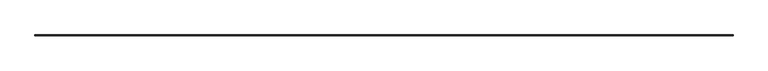
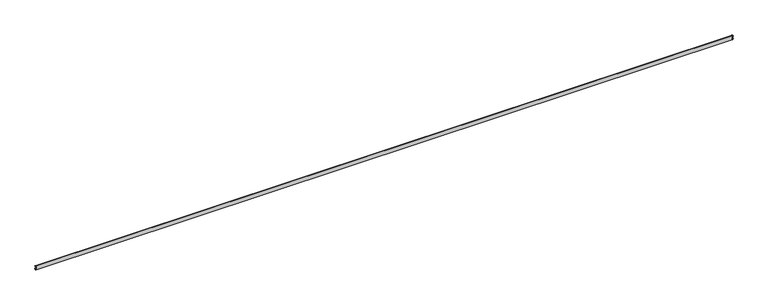
"""IFC4 building model written with IfcOpenShell, lengths in millimetres: railing geometry."""

from ifc_helpers import new_model, si_unit, frame, origin, place, context, project, spatial, polyline, circle_curve, ellipse_curve, source, transform, mapped, element, save
from ifc_brep_helpers import plane_surface, cylinder_surface, revolved_surface, advanced_brep


def railing_19389f10(model_context):
    return source(origin(), model_context, "Body", "AdvancedBrep", [
        advanced_brep(
        [(25096.9235713, 74107.3828523, 634.9946672), (25084.8450539, 74107.3828523, 677.657434), (25085.3739098, 74107.3828523, 678.5316951), (25088.5517246, 74107.3828523, 683.7467091), (25089.0204444, 74107.3828523, 684.5923437), (25091.6652084, 74107.3828523, 690.39164), (25092.1400859, 74107.3828523, 691.3720659), (25098.2788719, 74107.3828523, 700.2748284), (25098.2788719, 74107.3828523, 702.46875), (25089.5476219, 74107.3828523, 711.2), (25074.4663719, 74107.3828523, 711.2), (25074.4663719, 74107.3828523, 596.9), (25085.0073719, 74107.3828523, 596.9), (25090.5636219, 74107.3828523, 602.45625), (25090.5636219, 74107.3828523, 607.3037049), (25091.7838967, 74107.3828523, 609.805639), (25092.8651668, 74107.3828523, 613.2367436), (25093.5590551, 74107.3828523, 616.3095463), (6764.0091725, 74107.3828523, 634.9946672), (6767.3736887, 74107.3828523, 616.3095463), (6768.067577, 74107.3828523, 613.2367436), (6769.1488471, 74107.3828523, 609.805639), (6770.3691219, 74107.3828523, 607.3037049), (6770.3691219, 74107.3828523, 602.45625), (6775.9253719, 74107.3828523, 596.9), (6786.4663719, 74107.3828523, 596.9), (6786.4663719, 74107.3828523, 711.2), (6771.3851219, 74107.3828523, 711.2), (6762.6538719, 74107.3828523, 702.46875), (6762.6538719, 74107.3828523, 700.2748284), (6768.7926579, 74107.3828523, 691.3720659), (6769.2675355, 74107.3828523, 690.39164), (6771.9122995, 74107.3828523, 684.5923437), (6772.3810193, 74107.3828523, 683.7467091), (6775.558834, 74107.3828523, 678.5316951), (6776.0876899, 74107.3828523, 677.657434), (25096.9235713, 74130.6338017, 634.9946672), (25093.5590551, 74127.2692855, 616.3095463), (6767.3736887, 74127.2692855, 616.3095463), (6764.0091725, 74130.6338017, 634.9946672), (25092.8651668, 74126.5753972, 613.2367436), (6768.067577, 74126.5753972, 613.2367436), (25091.7838967, 74125.4941271, 609.805639), (6769.1488471, 74125.4941271, 609.805639), (25090.5636219, 74124.2738523, 607.3037049), (6770.3691219, 74124.2738523, 607.3037049), (25090.5636219, 74124.2738523, 602.45625), (6770.3691219, 74124.2738523, 602.45625), (25085.0073719, 74118.7176023, 596.9), (6775.9253719, 74118.7176023, 596.9), (25074.4663719, 74108.1766023, 596.9), (6786.4663719, 74108.1766023, 596.9), (25074.4663719, 74108.1766023, 711.2), (6786.4663719, 74108.1766023, 711.2), (25089.5476219, 74123.2578523, 711.2), (6771.3851219, 74123.2578523, 711.2), (25098.2788719, 74131.9891023, 702.46875), (6762.6538719, 74131.9891023, 702.46875), (25098.2788719, 74131.9891023, 700.2748284), (6762.6538719, 74131.9891023, 700.2748284), (25092.1400859, 74125.8503163, 691.3720659), (6768.7926579, 74125.8503163, 691.3720659), (25091.6652084, 74125.3754388, 690.39164), (6769.2675355, 74125.3754388, 690.39164), (25089.0204444, 74122.7306747, 684.5923437), (6771.9122995, 74122.7306747, 684.5923437), (25088.5517246, 74122.2619549, 683.7467091), (6772.3810193, 74122.2619549, 683.7467091), (25085.3739098, 74119.0841402, 678.5316951), (6775.558834, 74119.0841402, 678.5316951), (25084.8450539, 74118.5552843, 677.657434), (6776.0876899, 74118.5552843, 677.657434)],
        [
            (0, 1, circle_curve(frame((25266.7813106, 74107.3828523, 706.1253279), z_axis=(0.0, 1.0, 0.0), x_axis=(-0.9879785867328373, 0.0, -0.15459078936788356)), 184.15)),
            (1, 2, circle_curve(frame((25085.6292619, 74107.3828523, 677.7801405), z_axis=(0.0, 1.0, 0.0), x_axis=(-0.32170338998640735, 0.0, 0.9468404981153128)), 0.79375)),
            (2, 3, circle_curve(frame((25083.8417974, 74107.3828523, 683.041023), z_axis=(0.0, -1.0, 0.0), x_axis=(0.9889610745416129, 0.0, 0.14817554805533395)), 4.7625)),
            (3, 4, circle_curve(frame((25089.3367124, 74107.3828523, 683.8643234), z_axis=(0.0, 1.0, 0.0), x_axis=(-0.39844793511985266, 0.0, 0.9171909523096735)), 0.79375)),
            (4, 5, circle_curve(frame((25087.1228361, 74107.3828523, 688.9604656), z_axis=(0.0, -1.0, 0.0), x_axis=(0.9537789610497382, 0.0, 0.30050905719941606)), 4.7625)),
            (5, 6, circle_curve(frame((25092.4222704, 74107.3828523, 690.6301691), z_axis=(0.0, 1.0, 0.0), x_axis=(-0.3555080317940694, 0.0, 0.934673225961837)), 0.79375)),
            (6, 7, circle_curve(frame((25088.7538719, 74107.3828523, 700.2748284), z_axis=(0.0, -1.0, 0.0), x_axis=(1.0, 0.0, 0.0)), 9.525)),
            (7, 8),
            (8, 9, circle_curve(frame((25089.5476219, 74107.3828523, 702.46875), z_axis=(0.0, -1.0, 0.0), x_axis=(0.0, 0.0, 1.0)), 8.73125)),
            (9, 10),
            (10, 11),
            (11, 12),
            (12, 13, circle_curve(frame((25085.0073719, 74107.3828523, 602.45625), z_axis=(0.0, -1.0, 0.0), x_axis=(1.0, 0.0, 0.0)), 5.55625)),
            (13, 14),
            (14, 15, circle_curve(frame((25093.7386219, 74107.3828523, 607.3037049), z_axis=(0.0, 1.0, 0.0), x_axis=(-0.6156614753254914, 0.0, 0.7880107536068524)), 3.175)),
            (15, 16, circle_curve(frame((25089.8291715, 74107.3828523, 612.3075732), z_axis=(0.0, -1.0, 0.0), x_axis=(0.9562189885214569, 0.0, 0.29265209035816225)), 3.175)),
            (16, 17, circle_curve(frame((25095.9011621, 74107.3828523, 614.1659139), z_axis=(0.0, 1.0, 0.0), x_axis=(-0.7376715092217798, 0.0, 0.6751597918141022)), 3.175)),
            (17, 0, circle_curve(frame((25080.8163719, 74107.3828523, 628.2495183), z_axis=(0.0, -1.0, 0.0), x_axis=(0.9223879408472844, 0.0, 0.3862647881693419)), 17.4625)),
            (18, 19, circle_curve(frame((6780.1163719, 74107.3828523, 628.2495183), z_axis=(0.0, -1.0, 0.0), x_axis=(-0.9223879408472844, 0.0, 0.3862647881693419)), 17.4625)),
            (19, 20, circle_curve(frame((6765.0315817, 74107.3828523, 614.1659139), z_axis=(0.0, 1.0, 0.0), x_axis=(0.7376715092217798, 0.0, 0.6751597918141022)), 3.175)),
            (20, 21, circle_curve(frame((6771.1035723, 74107.3828523, 612.3075732), z_axis=(0.0, -1.0, 0.0), x_axis=(-0.9562189885214569, 0.0, 0.29265209035816225)), 3.175)),
            (21, 22, circle_curve(frame((6767.1941219, 74107.3828523, 607.3037049), z_axis=(0.0, 1.0, 0.0), x_axis=(0.6156614753254914, 0.0, 0.7880107536068524)), 3.175)),
            (22, 23),
            (23, 24, circle_curve(frame((6775.9253719, 74107.3828523, 602.45625), z_axis=(0.0, -1.0, 0.0), x_axis=(-1.0, 0.0, 0.0)), 5.55625)),
            (24, 25),
            (25, 26),
            (26, 27),
            (27, 28, circle_curve(frame((6771.3851219, 74107.3828523, 702.46875), z_axis=(0.0, -1.0, 0.0), x_axis=(0.0, 0.0, 1.0)), 8.73125)),
            (28, 29),
            (29, 30, circle_curve(frame((6772.1788719, 74107.3828523, 700.2748284), z_axis=(0.0, -1.0, 0.0), x_axis=(-1.0, 0.0, 0.0)), 9.525)),
            (30, 31, circle_curve(frame((6768.5104734, 74107.3828523, 690.6301691), z_axis=(0.0, 1.0, 0.0), x_axis=(0.3555080317940694, 0.0, 0.934673225961837)), 0.79375)),
            (31, 32, circle_curve(frame((6773.8099078, 74107.3828523, 688.9604656), z_axis=(0.0, -1.0, 0.0), x_axis=(-0.9537789610497382, 0.0, 0.30050905719941606)), 4.7625)),
            (32, 33, circle_curve(frame((6771.5960314, 74107.3828523, 683.8643234), z_axis=(0.0, 1.0, 0.0), x_axis=(0.39844793511985266, 0.0, 0.9171909523096735)), 0.79375)),
            (33, 34, circle_curve(frame((6777.0909464, 74107.3828523, 683.041023), z_axis=(0.0, -1.0, 0.0), x_axis=(-0.9889610745416129, 0.0, 0.14817554805533395)), 4.7625)),
            (34, 35, circle_curve(frame((6775.3034819, 74107.3828523, 677.7801405), z_axis=(0.0, 1.0, 0.0), x_axis=(0.32170338998640735, 0.0, 0.9468404981153128)), 0.79375)),
            (35, 18, circle_curve(frame((6594.1514332, 74107.3828523, 706.1253279), z_axis=(0.0, 1.0, 0.0), x_axis=(0.9879785867328373, 0.0, -0.15459078936788356)), 184.15)),
            (36, 37, ellipse_curve(frame((25080.8163719, 74114.5266023, 628.2495183), z_axis=(-0.7071067811865461, 0.7071067811865488, 0.0), x_axis=(0.7071067811865489, 0.707106781186546, 0.0)), 24.6957043, 17.4625)),
            (37, 38),
            (38, 39, ellipse_curve(frame((6780.1163719, 74114.5266023, 628.2495183), z_axis=(0.7071067811865488, 0.7071067811865461, 0.0), x_axis=(0.7071067811865462, -0.7071067811865487, 0.0)), 24.6957043, 17.4625)),
            (39, 36),
            (37, 40, ellipse_curve(frame((25095.9011621, 74129.6113925, 614.1659139), z_axis=(0.7071067811865461, -0.7071067811865488, 0.0), x_axis=(-0.7071067811865489, -0.707106781186546, 0.0)), 4.4901281, 3.175)),
            (40, 41),
            (41, 38, ellipse_curve(frame((6765.0315817, 74129.6113925, 614.1659139), z_axis=(-0.7071067811865488, -0.7071067811865461, 0.0), x_axis=(-0.7071067811865462, 0.7071067811865487, 0.0)), 4.4901281, 3.175)),
            (40, 42, ellipse_curve(frame((25089.8291715, 74123.5394019, 612.3075732), z_axis=(-0.7071067811865461, 0.7071067811865488, 0.0), x_axis=(0.7071067811865489, 0.707106781186546, 0.0)), 4.4901281, 3.175)),
            (42, 43),
            (43, 41, ellipse_curve(frame((6771.1035723, 74123.5394019, 612.3075732), z_axis=(0.7071067811865488, 0.7071067811865461, 0.0), x_axis=(0.7071067811865462, -0.7071067811865487, 0.0)), 4.4901281, 3.175)),
            (42, 44, ellipse_curve(frame((25093.7386219, 74127.4488523, 607.3037049), z_axis=(0.7071067811865461, -0.7071067811865488, 0.0), x_axis=(-0.7071067811865489, -0.707106781186546, 0.0)), 4.4901281, 3.175)),
            (44, 45),
            (45, 43, ellipse_curve(frame((6767.1941219, 74127.4488523, 607.3037049), z_axis=(-0.7071067811865488, -0.7071067811865461, 0.0), x_axis=(-0.7071067811865462, 0.7071067811865487, 0.0)), 4.4901281, 3.175)),
            (44, 46),
            (46, 47),
            (47, 45),
            (46, 48, ellipse_curve(frame((25085.0073719, 74118.7176023, 602.45625), z_axis=(-0.7071067811865461, 0.7071067811865488, 0.0), x_axis=(0.7071067811865489, 0.707106781186546, 0.0)), 7.8577241, 5.55625)),
            (48, 49),
            (49, 47, ellipse_curve(frame((6775.9253719, 74118.7176023, 602.45625), z_axis=(0.7071067811865488, 0.7071067811865461, 0.0), x_axis=(0.7071067811865462, -0.7071067811865487, 0.0)), 7.8577241, 5.55625)),
            (48, 50),
            (50, 51),
            (51, 49),
            (50, 52),
            (52, 53),
            (53, 51),
            (52, 54),
            (54, 55),
            (55, 53),
            (54, 56, ellipse_curve(frame((25089.5476219, 74123.2578523, 702.46875), z_axis=(-0.7071067811865461, 0.7071067811865488, 0.0), x_axis=(0.7071067811865489, 0.707106781186546, 0.0)), 12.3478522, 8.73125)),
            (56, 57),
            (57, 55, ellipse_curve(frame((6771.3851219, 74123.2578523, 702.46875), z_axis=(0.7071067811865488, 0.7071067811865461, 0.0), x_axis=(0.7071067811865462, -0.7071067811865487, 0.0)), 12.3478522, 8.73125)),
            (56, 58),
            (58, 59),
            (59, 57),
            (58, 60, ellipse_curve(frame((25088.7538719, 74122.4641023, 700.2748284), z_axis=(-0.7071067811865461, 0.7071067811865488, 0.0), x_axis=(0.7071067811865489, 0.707106781186546, 0.0)), 13.4703842, 9.525)),
            (60, 61),
            (61, 59, ellipse_curve(frame((6772.1788719, 74122.4641023, 700.2748284), z_axis=(0.7071067811865488, 0.7071067811865461, 0.0), x_axis=(0.7071067811865462, -0.7071067811865487, 0.0)), 13.4703842, 9.525)),
            (60, 62, ellipse_curve(frame((25092.4222704, 74126.1325008, 690.6301691), z_axis=(0.7071067811865461, -0.7071067811865488, 0.0), x_axis=(-0.7071067811865489, -0.707106781186546, 0.0)), 1.122532, 0.79375)),
            (62, 63),
            (63, 61, ellipse_curve(frame((6768.5104734, 74126.1325008, 690.6301691), z_axis=(-0.7071067811865488, -0.7071067811865461, 0.0), x_axis=(-0.7071067811865462, 0.7071067811865487, 0.0)), 1.122532, 0.79375)),
            (62, 64, ellipse_curve(frame((25087.1228361, 74120.8330665, 688.9604656), z_axis=(-0.7071067811865461, 0.7071067811865488, 0.0), x_axis=(0.7071067811865489, 0.707106781186546, 0.0)), 6.7351921, 4.7625)),
            (64, 65),
            (65, 63, ellipse_curve(frame((6773.8099078, 74120.8330665, 688.9604656), z_axis=(0.7071067811865488, 0.7071067811865461, 0.0), x_axis=(0.7071067811865462, -0.7071067811865487, 0.0)), 6.7351921, 4.7625)),
            (64, 66, ellipse_curve(frame((25089.3367124, 74123.0469428, 683.8643234), z_axis=(0.7071067811865461, -0.7071067811865488, 0.0), x_axis=(-0.7071067811865489, -0.707106781186546, 0.0)), 1.122532, 0.79375)),
            (66, 67),
            (67, 65, ellipse_curve(frame((6771.5960314, 74123.0469428, 683.8643234), z_axis=(-0.7071067811865488, -0.7071067811865461, 0.0), x_axis=(-0.7071067811865462, 0.7071067811865487, 0.0)), 1.122532, 0.79375)),
            (66, 68, ellipse_curve(frame((25083.8417974, 74117.5520278, 683.041023), z_axis=(-0.7071067811865461, 0.7071067811865488, 0.0), x_axis=(0.7071067811865489, 0.707106781186546, 0.0)), 6.7351921, 4.7625)),
            (68, 69),
            (69, 67, ellipse_curve(frame((6777.0909464, 74117.5520278, 683.041023), z_axis=(0.7071067811865488, 0.7071067811865461, 0.0), x_axis=(0.7071067811865462, -0.7071067811865487, 0.0)), 6.7351921, 4.7625)),
            (68, 70, ellipse_curve(frame((25085.6292619, 74119.3394923, 677.7801405), z_axis=(0.7071067811865461, -0.7071067811865488, 0.0), x_axis=(-0.7071067811865489, -0.707106781186546, 0.0)), 1.122532, 0.79375)),
            (70, 71),
            (71, 69, ellipse_curve(frame((6775.3034819, 74119.3394923, 677.7801405), z_axis=(-0.7071067811865488, -0.7071067811865461, 0.0), x_axis=(-0.7071067811865462, 0.7071067811865487, 0.0)), 1.122532, 0.79375)),
            (70, 36, ellipse_curve(frame((25266.7813106, 74300.491541, 706.1253279), z_axis=(0.7071067811865461, -0.7071067811865488, 0.0), x_axis=(-0.7071067811865489, -0.707106781186546, 0.0)), 260.4274275, 184.15)),
            (39, 71, ellipse_curve(frame((6594.1514332, 74300.491541, 706.1253279), z_axis=(-0.7071067811865488, -0.7071067811865461, 0.0), x_axis=(-0.7071067811865462, 0.7071067811865487, 0.0)), 260.4274275, 184.15)),
            (0, 36),
            (70, 1),
            (17, 37),
            (39, 18),
            (35, 71),
            (38, 19),
            (68, 2),
            (66, 3),
            (64, 4),
            (62, 5),
            (60, 6),
            (58, 7),
            (56, 8),
            (54, 9),
            (52, 10),
            (50, 11),
            (48, 12),
            (46, 13),
            (44, 14),
            (42, 15),
            (40, 16),
            (34, 69),
            (33, 67),
            (32, 65),
            (31, 63),
            (30, 61),
            (29, 59),
            (28, 57),
            (27, 55),
            (26, 53),
            (25, 51),
            (24, 49),
            (23, 47),
            (22, 45),
            (21, 43),
            (20, 41),
        ],
        [
            plane_surface(frame((25074.4663719, 74107.3828523, 711.2), z_axis=(0.0, -1.0, 0.0), x_axis=(0.0, 0.0, 1.0))),
            plane_surface(frame((6786.4663719, 74107.3828523, 711.2), z_axis=(0.0, -1.0, 0.0), x_axis=(0.0, 0.0, -1.0))),
            cylinder_surface(frame((25074.4663719, 74114.5266023, 628.2495183), z_axis=(1.0, 0.0, 0.0), x_axis=(0.0, 0.9223879408472844, 0.3862647881693419)), 17.4625),
            revolved_surface(polyline([(6761.8565816720875, 74127.26928545821, 616.3095462390097), (25099.076162127905, 74127.26928545821, 616.3095462390097)]), (25074.4663719, 74129.6113925, 614.1659139), (-1.0000000000000002, 0.0, 0.0)),
            cylinder_surface(frame((25074.4663719, 74123.5394019, 612.3075732), z_axis=(1.0, 0.0, 0.0), x_axis=(0.0, 0.9562189885214569, 0.29265209035816225)), 3.175),
            revolved_surface(polyline([(6764.019121872094, 74125.49412711585, 609.8056390427017), (25096.913621927906, 74125.49412711585, 609.8056390427017)]), (25074.4663719, 74127.4488523, 607.3037049), (-1.0, 0.0, 0.0)),
            plane_surface(frame((25090.5636219, 74124.2738523, 602.45625), z_axis=(0.0, 1.0, 0.0), x_axis=(-1.0, 0.0, 0.0))),
            cylinder_surface(frame((25074.4663719, 74118.7176023, 602.45625), z_axis=(1.0, 0.0, 0.0), x_axis=(0.0, 1.0, 0.0)), 5.55625),
            plane_surface(frame((25074.4663719, 74108.1766023, 596.9), z_axis=(0.0, 0.0, -1.0), x_axis=(-1.0, 0.0, 0.0))),
            plane_surface(frame((25074.4663719, 74108.1766023, 711.2), z_axis=(0.0, -1.0, 0.0), x_axis=(-1.0, 0.0, 0.0))),
            plane_surface(frame((25089.5476219, 74123.2578523, 711.2), z_axis=(0.0, 0.0, 1.0), x_axis=(-1.0, 0.0, 0.0))),
            cylinder_surface(frame((25074.4663719, 74123.2578523, 702.46875), z_axis=(1.0, 0.0, 0.0), x_axis=(0.0, 0.0, 1.0)), 8.73125),
            plane_surface(frame((25098.2788719, 74131.9891023, 700.2748284), z_axis=(0.0, 1.0, 0.0), x_axis=(-1.0, 0.0, 0.0))),
            cylinder_surface(frame((25074.4663719, 74122.4641023, 700.2748284), z_axis=(1.0, 0.0, 0.0), x_axis=(0.0, 1.0, 0.0)), 9.525),
            revolved_surface(polyline([(6767.716723410696, 74125.85031629977, 691.3720659731072), (25093.216020389296, 74125.85031629977, 691.3720659731072)]), (25074.4663719, 74126.1325008, 690.6301691), (-1.0000000000000002, 0.0, 0.0)),
            cylinder_surface(frame((25074.4663719, 74120.8330665, 688.9604656), z_axis=(1.0, 0.0, 0.0), x_axis=(0.0, 0.9537789610497382, 0.30050905719941606)), 4.7625),
            revolved_surface(polyline([(6770.802281410703, 74122.73067475151, 684.5923437183958), (25090.130462389297, 74122.73067475151, 684.5923437183958)]), (25074.4663719, 74123.0469428, 683.8643234), (-1.0, 0.0, 0.0)),
            cylinder_surface(frame((25074.4663719, 74117.5520278, 683.041023), z_axis=(1.0000000000000002, 0.0, 0.0), x_axis=(0.0, 0.9889610745416129, 0.14817554805533395)), 4.7625),
            revolved_surface(polyline([(6774.509731910701, 74119.0841402342, 678.531695145379), (25086.4230118893, 74119.0841402342, 678.531695145379)]), (25074.4663719, 74119.3394923, 677.7801405), (-1.0, 0.0, 0.0)),
            revolved_surface(polyline([(6410.001433207784, 74118.55528425315, 677.6574340379043), (25450.93131059222, 74118.55528425315, 677.6574340379043)]), (25074.4663719, 74300.491541, 706.1253279), (-1.0, 0.0, 0.0)),
            revolved_surface(polyline([(25084.845053853147, 74484.64154099222, 677.6574340379043), (25084.845053853147, 74107.3828523, 677.6574340379043)]), (25266.7813106, 74107.3828523, 706.1253279), (0.0, 1.0, 0.0)),
            cylinder_surface(frame((25080.8163719, 74107.3828523, 628.2495183), z_axis=(0.0, -1.0, 0.0), x_axis=(0.9223879408472844, 0.0, 0.3862647881693419)), 17.4625),
            revolved_surface(polyline([(6776.087689946851, 74107.3828523, 677.6574340379043), (6776.087689946851, 74484.64154099222, 677.6574340379043)]), (6594.1514332, 74108.1766023, 706.1253279), (0.0, -1.0, 0.0)),
            cylinder_surface(frame((6780.1163719, 74108.1766023, 628.2495183), z_axis=(0.0, 1.0, 0.0), x_axis=(-0.9223879408472844, 0.0, 0.3862647881693419)), 17.4625),
            revolved_surface(polyline([(25085.3739098342, 74120.1332422893, 678.531695145379), (25085.3739098342, 74107.3828523, 678.531695145379)]), (25085.6292619, 74107.3828523, 677.7801405), (0.0, 1.0, 0.0)),
            cylinder_surface(frame((25083.8417974, 74107.3828523, 683.041023), z_axis=(0.0, -1.0000000000000002, 0.0), x_axis=(0.9889610745416129, 0.0, 0.14817554805533395)), 4.7625),
            revolved_surface(polyline([(25089.0204443515, 74123.84069278931, 684.5923437183958), (25089.0204443515, 74107.3828523, 684.5923437183958)]), (25089.3367124, 74107.3828523, 683.8643234), (0.0, 1.0, 0.0)),
            cylinder_surface(frame((25087.1228361, 74107.3828523, 688.9604656), z_axis=(0.0, -1.0, 0.0), x_axis=(0.9537789610497382, 0.0, 0.30050905719941606)), 4.7625),
            revolved_surface(polyline([(25092.140085899762, 74126.9262507893, 691.3720659731072), (25092.140085899762, 74107.3828523, 691.3720659731072)]), (25092.4222704, 74107.3828523, 690.6301691), (0.0, 1.0000000000000002, 0.0)),
            cylinder_surface(frame((25088.7538719, 74107.3828523, 700.2748284), z_axis=(0.0, -1.0, 0.0), x_axis=(1.0, 0.0, 0.0)), 9.525),
            plane_surface(frame((25098.2788719, 74107.3828523, 700.2748284), z_axis=(1.0, 0.0, 0.0), x_axis=(0.0, 1.0, 0.0))),
            cylinder_surface(frame((25089.5476219, 74107.3828523, 702.46875), z_axis=(0.0, -1.0, 0.0), x_axis=(0.0, 0.0, 1.0)), 8.73125),
            plane_surface(frame((25089.5476219, 74107.3828523, 711.2), z_axis=(0.0, 0.0, 1.0), x_axis=(0.0, 1.0, 0.0))),
            plane_surface(frame((25074.4663719, 74107.3828523, 711.2), z_axis=(-1.0, 0.0, 0.0), x_axis=(0.0, 1.0, 0.0))),
            plane_surface(frame((25074.4663719, 74107.3828523, 596.9), z_axis=(0.0, 0.0, -1.0), x_axis=(0.0, 1.0, 0.0))),
            cylinder_surface(frame((25085.0073719, 74107.3828523, 602.45625), z_axis=(0.0, -1.0, 0.0), x_axis=(1.0, 0.0, 0.0)), 5.55625),
            plane_surface(frame((25090.5636219, 74107.3828523, 602.45625), z_axis=(1.0, 0.0, 0.0), x_axis=(0.0, 1.0, 0.0))),
            revolved_surface(polyline([(25091.783896715842, 74130.62385232792, 609.8056390427017), (25091.783896715842, 74107.3828523, 609.8056390427017)]), (25093.7386219, 74107.3828523, 607.3037049), (0.0, 1.0, 0.0)),
            cylinder_surface(frame((25089.8291715, 74107.3828523, 612.3075732), z_axis=(0.0, -1.0, 0.0), x_axis=(0.9562189885214569, 0.0, 0.29265209035816225)), 3.175),
            revolved_surface(polyline([(25093.55905505822, 74132.78639252791, 616.3095462390097), (25093.55905505822, 74107.3828523, 616.3095462390097)]), (25095.9011621, 74107.3828523, 614.1659139), (0.0, 1.0000000000000002, 0.0)),
            revolved_surface(polyline([(6775.5588339658025, 74107.3828523, 678.531695145379), (6775.5588339658025, 74120.1332422893, 678.531695145379)]), (6775.3034819, 74108.1766023, 677.7801405), (0.0, -1.0, 0.0)),
            cylinder_surface(frame((6777.0909464, 74108.1766023, 683.041023), z_axis=(0.0, 1.0000000000000002, 0.0), x_axis=(-0.9889610745416129, 0.0, 0.14817554805533395)), 4.7625),
            revolved_surface(polyline([(6771.9122994485015, 74107.3828523, 684.5923437183958), (6771.9122994485015, 74123.84069278931, 684.5923437183958)]), (6771.5960314, 74108.1766023, 683.8643234), (0.0, -1.0, 0.0)),
            cylinder_surface(frame((6773.8099078, 74108.1766023, 688.9604656), z_axis=(0.0, 1.0, 0.0), x_axis=(-0.9537789610497382, 0.0, 0.30050905719941606)), 4.7625),
            revolved_surface(polyline([(6768.792657900236, 74107.3828523, 691.3720659731072), (6768.792657900236, 74126.9262507893, 691.3720659731072)]), (6768.5104734, 74108.1766023, 690.6301691), (0.0, -1.0000000000000002, 0.0)),
            cylinder_surface(frame((6772.1788719, 74108.1766023, 700.2748284), z_axis=(0.0, 1.0, 0.0), x_axis=(-1.0, 0.0, 0.0)), 9.525),
            plane_surface(frame((6762.6538719, 74131.9891023, 700.2748284), z_axis=(-1.0, 0.0, 0.0), x_axis=(0.0, -1.0, 0.0))),
            cylinder_surface(frame((6771.3851219, 74108.1766023, 702.46875), z_axis=(0.0, 1.0, 0.0), x_axis=(0.0, 0.0, 1.0)), 8.73125),
            plane_surface(frame((6771.3851219, 74123.2578523, 711.2), z_axis=(0.0, 0.0, 1.0), x_axis=(0.0, -1.0, 0.0))),
            plane_surface(frame((6786.4663719, 74108.1766023, 711.2), z_axis=(1.0, -2.7284841053584894e-12, 0.0), x_axis=(-2.7284841053584894e-12, -1.0, 0.0))),
            plane_surface(frame((6786.4663719, 74108.1766023, 596.9), z_axis=(0.0, 0.0, -1.0), x_axis=(-2.7284841053584894e-12, -1.0, 0.0))),
            cylinder_surface(frame((6775.9253719, 74108.1766023, 602.45625), z_axis=(0.0, 1.0, 0.0), x_axis=(-1.0, 0.0, 0.0)), 5.55625),
            plane_surface(frame((6770.3691219, 74124.2738523, 602.45625), z_axis=(-1.0, 0.0, 0.0), x_axis=(0.0, -1.0, 0.0))),
            revolved_surface(polyline([(6769.148847084159, 74107.3828523, 609.8056390427017), (6769.148847084159, 74130.62385232792, 609.8056390427017)]), (6767.1941219, 74108.1766023, 607.3037049), (0.0, -1.0, 0.0)),
            cylinder_surface(frame((6771.1035723, 74108.1766023, 612.3075732), z_axis=(0.0, 1.0, 0.0), x_axis=(-0.9562189885214569, 0.0, 0.29265209035816225)), 3.175),
            revolved_surface(polyline([(6767.373688741779, 74107.3828523, 616.3095462390097), (6767.373688741779, 74132.78639252791, 616.3095462390097)]), (6765.0315817, 74108.1766023, 614.1659139), (0.0, -1.0000000000000002, 0.0)),
        ],
        [
            (0, [[1, 2, 3, 4, 5, 6, 7, 8, 9, 10, 11, 12, 13, 14, 15, 16, 17, 18]]),
            (1, [[19, 20, 21, 22, 23, 24, 25, 26, 27, 28, 29, 30, 31, 32, 33, 34, 35, 36]]),
            (2, [[37, 38, 39, 40]]),
            (3, [[41, 42, 43, -38]]),
            (4, [[44, 45, 46, -42]]),
            (5, [[47, 48, 49, -45]]),
            (6, [[50, 51, 52, -48]]),
            (7, [[53, 54, 55, -51]]),
            (8, [[56, 57, 58, -54]]),
            (9, [[59, 60, 61, -57]]),
            (10, [[62, 63, 64, -60]]),
            (11, [[65, 66, 67, -63]]),
            (12, [[68, 69, 70, -66]]),
            (13, [[71, 72, 73, -69]]),
            (14, [[74, 75, 76, -72]]),
            (15, [[77, 78, 79, -75]]),
            (16, [[80, 81, 82, -78]]),
            (17, [[83, 84, 85, -81]]),
            (18, [[86, 87, 88, -84]]),
            (19, [[89, -40, 90, -87]]),
            (20, [[-1, 91, -89, 92]]),
            (21, [[-18, 93, -37, -91]]),
            (22, [[-90, 94, -36, 95]]),
            (23, [[-39, 96, -19, -94]]),
            (24, [[-2, -92, -86, 97]]),
            (25, [[-3, -97, -83, 98]]),
            (26, [[-4, -98, -80, 99]]),
            (27, [[-5, -99, -77, 100]]),
            (28, [[-6, -100, -74, 101]]),
            (29, [[-7, -101, -71, 102]]),
            (30, [[-8, -102, -68, 103]]),
            (31, [[-9, -103, -65, 104]]),
            (32, [[-10, -104, -62, 105]]),
            (33, [[-11, -105, -59, 106]]),
            (34, [[-12, -106, -56, 107]]),
            (35, [[-13, -107, -53, 108]]),
            (36, [[-14, -108, -50, 109]]),
            (37, [[-15, -109, -47, 110]]),
            (38, [[-16, -110, -44, 111]]),
            (39, [[-17, -111, -41, -93]]),
            (40, [[-88, -95, -35, 112]]),
            (41, [[-85, -112, -34, 113]]),
            (42, [[-82, -113, -33, 114]]),
            (43, [[-79, -114, -32, 115]]),
            (44, [[-76, -115, -31, 116]]),
            (45, [[-73, -116, -30, 117]]),
            (46, [[-70, -117, -29, 118]]),
            (47, [[-67, -118, -28, 119]]),
            (48, [[-64, -119, -27, 120]]),
            (49, [[-61, -120, -26, 121]]),
            (50, [[-58, -121, -25, 122]]),
            (51, [[-55, -122, -24, 123]]),
            (52, [[-52, -123, -23, 124]]),
            (53, [[-49, -124, -22, 125]]),
            (54, [[-46, -125, -21, 126]]),
            (55, [[-43, -126, -20, -96]]),
        ],
    ),
    ])


if __name__ == "__main__":
    model = new_model("IFC4")
    model_context = context("Model", 3, world=origin())
    ifc_project = project(units=[si_unit("LENGTHUNIT", "METRE", prefix="MILLI")], contexts=[model_context])
    site = spatial("IfcSite", under=ifc_project)
    building = spatial("IfcBuilding", under=site)
    placement = place(None, origin())
    railing_shape = railing_19389f10(model_context)
    element("IfcRailing", 1, at=placement, inside=building, context=model_context, shape_type="MappedRepresentation", body=[
        mapped(railing_shape, transform((0.0, 0.0, 0.0), x_axis=(1.0, 0.0, 0.0), y_axis=(0.0, 1.0, 0.0), z_axis=(0.0, 0.0, 1.0))),
    ])
    save(model, "model.ifc")
